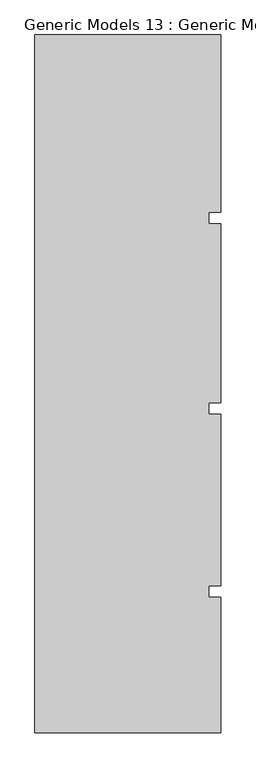
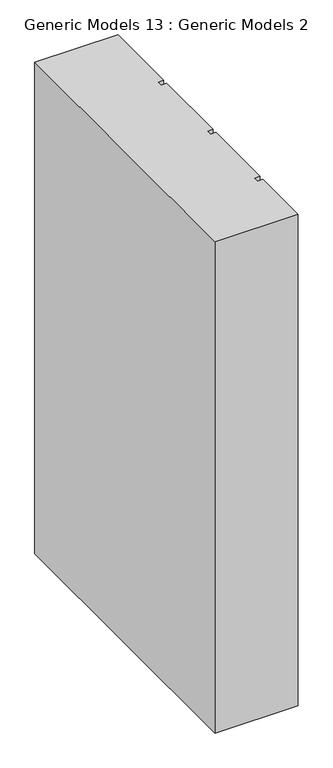
"""IFC4 building model written with IfcOpenShell, lengths in millimetres: proxy geometry, Generic Models 13 : Generic Models 2."""

from ifc_helpers import new_model, si_unit, frame, origin, place, context, project, spatial, polyline, outline, extrude, source, transform, mapped, element, save


def generic_models_13_generic_models_2_01e2d3cc(model_context):
    return source(origin(), model_context, "Body", "SweptSolid", [
        extrude(outline(polyline([(6158.9891931, -239.4418036), (6646.0314083, -239.4418036), (6646.0314083, -703.851216), (6614.3889077, -703.851216), (6614.3889077, -733.8846489), (6646.0314083, -733.8846489), (6646.0314083, -1203.851216), (6614.3889077, -1203.851216), (6614.3889077, -1233.8846489), (6646.0314083, -1233.8846489), (6646.0314083, -1683.851216), (6614.3889077, -1683.851216), (6614.3889077, -1713.8846489), (6646.0314083, -1713.8846489), (6646.0314083, -2068.9906388), (6158.9891931, -2068.9906388), (6158.9891931, -239.4418036)])), frame((0.0, 0.0, 6000.0), z_axis=(0.0, 0.0, 1.0), x_axis=(1.0, 0.0, 0.0)), (0.0, 0.0, 1.0), 3044.7067261),
    ])


if __name__ == "__main__":
    model = new_model("IFC4")
    model_context = context("Model", 3, world=origin())
    ifc_project = project(units=[si_unit("LENGTHUNIT", "METRE", prefix="MILLI")], contexts=[model_context])
    site = spatial("IfcSite", under=ifc_project)
    building = spatial("IfcBuilding", under=site)
    placement = place(None, origin())
    generic_models_13_generic_models_2_shape = generic_models_13_generic_models_2_01e2d3cc(model_context)
    element("IfcBuildingElementProxy", 1, Name="Generic Models 13 : Generic Models 2", ObjectType="Generic Models 13 : Generic Models 2", at=placement, inside=building, context=model_context, shape_type="MappedRepresentation", body=[
        mapped(generic_models_13_generic_models_2_shape, transform((0.0, 0.0, 0.0), x_axis=(1.0, 0.0, 0.0), y_axis=(0.0, 1.0, 0.0), z_axis=(0.0, 0.0, 1.0))),
    ])
    save(model, "model.ifc")
